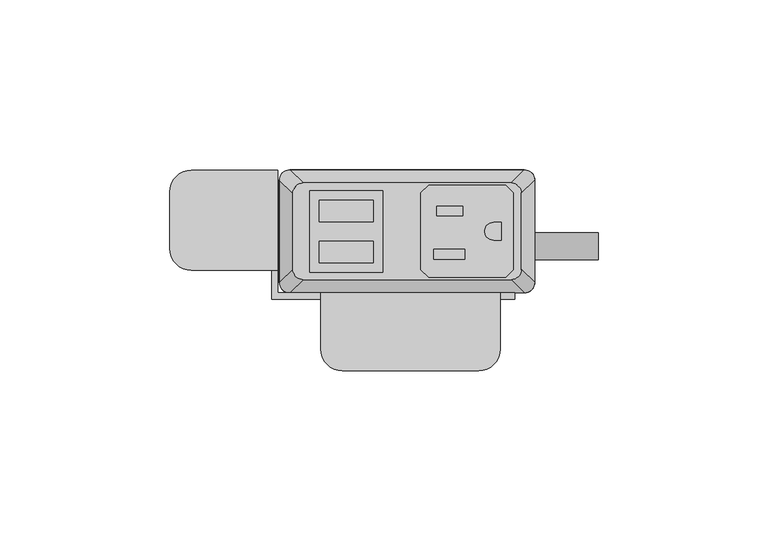
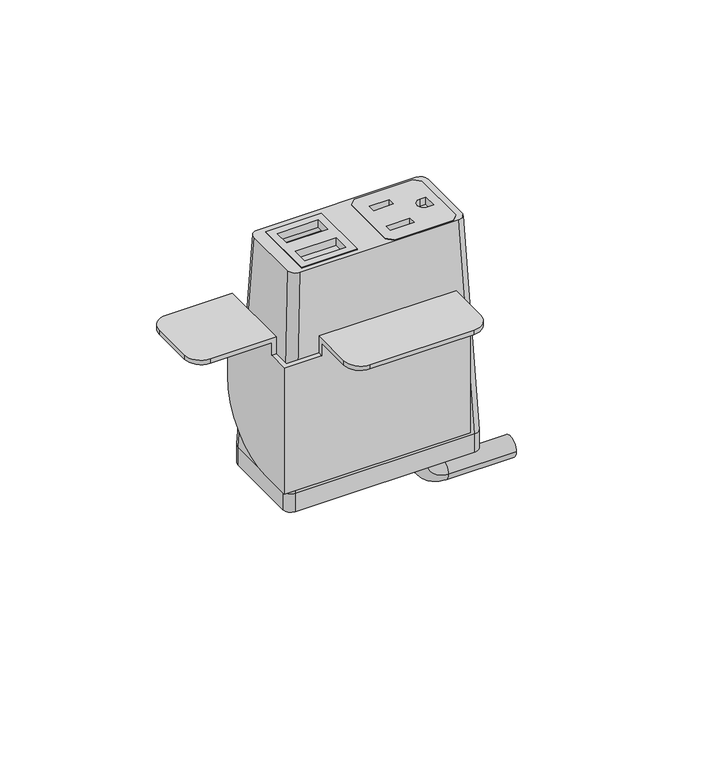
"""IFC4 building model written with IfcOpenShell, lengths in millimetres: furniture geometry."""

from ifc_helpers import new_model, si_unit, point, frame, frame_2d, origin, place, context, project, spatial, polyline, circle_curve, ellipse_curve, trimmed, segment, composite_curve, outline, extrude, source, transform, mapped, element, save
from ifc_brep_helpers import plane_surface, cylinder_surface, revolved_surface, extruded_surface, advanced_brep


def furniture_76658d6a(model_context):
    return source(origin(), model_context, "Body", "SolidModel", [
        extrude(outline(polyline([(28.9877496, 31.6867491), (31.2737497, 29.400774), (31.2737497, 6.7950272), (28.9877496, 4.5090526), (6.3817502, 4.5090526), (4.0957501, 6.7950272), (4.0957501, 29.400774), (6.3817502, 31.6867491), (28.9877496, 31.6867491)]), holes=[polyline([(16.3893498, 25.5262103), (8.71855, 25.5262103), (8.71855, 22.6814439), (16.3893498, 22.6814439), (16.3893498, 25.5262103)]), polyline([(17.0497496, 12.7755533), (7.8041498, 12.7755533), (7.8041498, 9.9307858), (17.0497496, 9.9307858), (17.0497496, 12.7755533)]), composite_curve([segment(polyline([(27.7177508, 20.7140722), (25.4427305, 20.7140722)]), True, "CONTINUOUS"), segment(trimmed(circle_curve(frame_2d((25.4427305, 18.0979012)), 2.616171), [point((25.4427305, 20.7140722))], [point((25.4427305, 15.4817301))], True, "CARTESIAN"), True, "CONTINUOUS"), segment(polyline([(25.4427305, 15.4817301), (27.7177508, 15.4817301), (27.7177508, 20.7140722)]), True, "CONTINUOUS")], self_intersect=False)]), frame((0.0, 0.0, 936.8747365), z_axis=(0.0, 0.0, 1.0), x_axis=(1.0, 0.0, 0.0)), (0.0, 0.0, 1.0), 2.9555086),
        extrude(outline(polyline([(-28.6985163, 30.0736276), (-7.143469, 30.0736276), (-7.143469, 6.0162042), (-28.6985163, 6.0162042), (-28.6985163, 30.0736276)]), holes=[polyline([(-9.9834931, 27.2024139), (-25.8584916, 27.2025547), (-25.8584916, 20.8524858), (-9.9834931, 20.8524858), (-9.9834931, 27.2024139)]), polyline([(-9.9834931, 15.1725012), (-25.8584916, 15.1726408), (-25.8584916, 8.8225725), (-9.9834931, 8.8225725), (-9.9834931, 15.1725012)])]), frame((0.0, 0.0, 936.8747365), z_axis=(0.0, 0.0, 1.0), x_axis=(1.0, 0.0, 0.0)), (0.0, 0.0, 1.0), 2.9555086),
        advanced_brep(
        [(-30.6070003, 32.3219007, 939.8170623), (-33.6549997, 29.2739013, 939.8170623), (-33.6549997, 6.9219002, 939.8170623), (-30.6070003, 3.8739008, 939.8170623), (30.6070003, 3.8739008, 939.8170623), (33.6549997, 6.9219002, 939.8170623), (33.6549997, 29.2739013, 939.8170623), (30.6070003, 32.3219007, 939.8170623), (-7.143469, 30.0736276, 939.8170623), (-7.143469, 6.0162042, 939.8170623), (-28.6985163, 6.0162042, 939.8170623), (-28.6985163, 30.0736276, 939.8170623), (4.0957501, 29.400774, 939.8170623), (6.3817502, 31.6867491, 939.8170623), (28.9877496, 31.6867491, 939.8170623), (31.2737497, 29.400774, 939.8170623), (31.2737497, 6.7950272, 939.8170623), (28.9877496, 4.5090526, 939.8170623), (6.3817502, 4.5090526, 939.8170623), (4.0957501, 6.7950272, 939.8170623), (-34.5440011, 36.1954015, 853.4702434), (34.5440011, 36.1954015, 853.4702434), (37.5920005, 33.1474021, 853.4702434), (37.5920005, 3.0484002, 853.4702434), (34.5440011, 0.0004009, 853.4702434), (-34.5440011, 0.0004009, 853.4702434), (-37.5920005, 3.0484002, 853.4702434), (-37.5920005, 33.1474021, 853.4702434), (-7.143469, 30.0736276, 932.6751211), (-28.6985163, 30.0736276, 932.6751211), (-28.6985163, 6.0162042, 932.6751211), (-7.143469, 6.0162042, 932.6751211), (4.0957501, 29.400774, 932.6751211), (4.0957501, 6.7950272, 932.6751211), (6.3817502, 4.5090526, 932.6751211), (28.9877496, 4.5090526, 932.6751211), (31.2737497, 6.7950272, 932.6751211), (31.2737497, 29.400774, 932.6751211), (28.9877496, 31.6867491, 932.6751211), (6.3817502, 31.6867491, 932.6751211)],
        [
            (0, 1, circle_curve(frame((-30.6070003, 29.2739013, 939.8170623), z_axis=(0.0, 0.0, 1.0), x_axis=(-1.0, 0.0, 0.0)), 3.0479994)),
            (1, 2),
            (2, 3, circle_curve(frame((-30.6070003, 6.9219002, 939.8170623), z_axis=(0.0, 0.0, 1.0), x_axis=(-1.0, 0.0, 0.0)), 3.0479994)),
            (3, 4),
            (4, 5, circle_curve(frame((30.6070003, 6.9219002, 939.8170623), z_axis=(0.0, 0.0, 1.0), x_axis=(-1.0, 0.0, 0.0)), 3.0479994)),
            (5, 6),
            (6, 7, circle_curve(frame((30.6070003, 29.2739013, 939.8170623), z_axis=(0.0, 0.0, 1.0), x_axis=(-1.0, 0.0, 0.0)), 3.0479994)),
            (7, 0),
            (8, 9),
            (9, 10),
            (10, 11),
            (11, 8),
            (12, 13),
            (13, 14),
            (14, 15),
            (15, 16),
            (16, 17),
            (17, 18),
            (18, 19),
            (19, 12),
            (20, 21),
            (21, 22, circle_curve(frame((34.5440011, 33.1474021, 853.4702434), z_axis=(0.0, 0.0, -1.0), x_axis=(-1.0, 0.0, 0.0)), 3.0479994)),
            (22, 23),
            (23, 24, circle_curve(frame((34.5440011, 3.0484002, 853.4702434), z_axis=(0.0, 0.0, -1.0), x_axis=(-1.0, 0.0, 0.0)), 3.0479994)),
            (24, 25),
            (25, 26, circle_curve(frame((-34.5440011, 3.0484002, 853.4702434), z_axis=(0.0, 0.0, -1.0), x_axis=(-1.0, 0.0, 0.0)), 3.0479994)),
            (26, 27),
            (27, 20, circle_curve(frame((-34.5440011, 33.1474021, 853.4702434), z_axis=(0.0, 0.0, -1.0), x_axis=(-1.0, 0.0, 0.0)), 3.0479994)),
            (0, 20),
            (27, 1),
            (26, 2),
            (25, 3),
            (24, 4),
            (23, 5),
            (22, 6),
            (21, 7),
            (28, 29),
            (29, 30),
            (30, 31),
            (31, 28),
            (32, 33),
            (33, 34),
            (34, 35),
            (35, 36),
            (36, 37),
            (37, 38),
            (38, 39),
            (39, 32),
            (31, 9),
            (8, 28),
            (30, 10),
            (29, 11),
            (39, 13),
            (12, 32),
            (38, 14),
            (37, 15),
            (36, 16),
            (35, 17),
            (34, 18),
            (33, 19),
        ],
        [
            plane_surface(frame((0.0, 18.0979007, 939.8170623), z_axis=(0.0, 0.0, 1.0), x_axis=(-1.0, 0.0, 0.0))),
            plane_surface(frame((0.0, 18.0979012, 853.4702434), z_axis=(0.0, 0.0, -1.0), x_axis=(-1.0, 0.0, 0.0))),
            extruded_surface(trimmed(circle_curve(frame((-34.5440011, 33.1474021, 853.4702434), z_axis=(0.0, 0.0, 1.0), x_axis=(-1.0, 0.0, 0.0)), 3.0479994), [point((-34.5440011, 36.1954015, 853.4702434))], [point((-37.5920005, 33.1474021, 853.4702434))], True, "CARTESIAN"), (3.9370008000000034, -3.873500800000002, 86.34681890000002), 86.52327500676452),
            plane_surface(frame((-37.5920005, 18.0979012, 853.4702434), z_axis=(-0.9989621566211194, 0.0, 0.04554788292425982), x_axis=(0.0, -1.0, 0.0))),
            extruded_surface(trimmed(circle_curve(frame((-34.5440011, 3.0484002, 853.4702434), z_axis=(0.0, 0.0, 1.0), x_axis=(-1.0, 0.0, 0.0)), 3.0479994), [point((-37.5920005, 3.0484002, 853.4702434))], [point((-34.5440011, 0.0004009, 853.4702434))], True, "CARTESIAN"), (3.9370008000000034, 3.8734999999999995, 86.34681890000002), 86.52327497094987),
            plane_surface(frame((0.0, 0.0004009, 853.4702434), z_axis=(0.0, -0.9989953158490498, 0.044814717578687276), x_axis=(1.0, 0.0, 0.0))),
            extruded_surface(trimmed(circle_curve(frame((34.5440011, 3.0484002, 853.4702434), z_axis=(0.0, 0.0, 1.0), x_axis=(-1.0, 0.0, 0.0)), 3.0479994), [point((34.5440011, 0.0004009, 853.4702434))], [point((37.5920005, 3.0484002, 853.4702434))], True, "CARTESIAN"), (-3.9370008000000034, 3.8734999999999995, 86.34681890000002), 86.52327497094987),
            plane_surface(frame((37.5920005, 18.0979012, 853.4702434), z_axis=(0.9989621566211194, 0.0, 0.04554788292425977), x_axis=(0.0, 1.0, 0.0))),
            extruded_surface(trimmed(circle_curve(frame((34.5440011, 33.1474021, 853.4702434), z_axis=(0.0, 0.0, 1.0), x_axis=(-1.0, 0.0, 0.0)), 3.0479994), [point((37.5920005, 33.1474021, 853.4702434))], [point((34.5440011, 36.1954015, 853.4702434))], True, "CARTESIAN"), (-3.9370008000000034, -3.873500800000002, 86.34681890000002), 86.52327500676452),
            plane_surface(frame((0.0, 36.1954015, 853.4702434), z_axis=(0.0, 0.9989953153818162, 0.04481472799410512), x_axis=(-1.0, 0.0, 0.0))),
            plane_surface(frame((-7.143469, 30.0736276, 932.6751211), z_axis=(0.0, 0.0, 1.0), x_axis=(0.0, -1.0, 0.0))),
            plane_surface(frame((-7.143469, 30.0736276, 932.6751211), z_axis=(-1.0, 0.0, 0.0), x_axis=(0.0, 0.0, 1.0))),
            plane_surface(frame((-7.143469, 6.0162042, 932.6751211), z_axis=(0.0, 1.0, 0.0), x_axis=(0.0, 0.0, 1.0))),
            plane_surface(frame((-28.6985163, 6.0162042, 932.6751211), z_axis=(1.0, 0.0, 0.0), x_axis=(0.0, 0.0, 1.0))),
            plane_surface(frame((-28.6985163, 30.0736276, 932.6751211), z_axis=(0.0, -1.0, 0.0), x_axis=(0.0, 0.0, 1.0))),
            plane_surface(frame((4.0957501, 29.400774, 932.6751211), z_axis=(0.7071029176939239, -0.707110644658062, 0.0), x_axis=(0.0, 0.0, 1.0))),
            plane_surface(frame((6.3817502, 31.6867491, 932.6751211), z_axis=(0.0, -1.0, 0.0), x_axis=(0.0, 0.0, 1.0))),
            plane_surface(frame((28.9877496, 31.6867491, 932.6751211), z_axis=(-0.7071029176939239, -0.707110644658062, 0.0), x_axis=(0.0, 0.0, 1.0))),
            plane_surface(frame((31.2737497, 29.400774, 932.6751211), z_axis=(-1.0, 0.0, 0.0), x_axis=(0.0, 0.0, 1.0))),
            plane_surface(frame((31.2737497, 6.7950272, 932.6751211), z_axis=(-0.7071028298865373, 0.7071107324644781, 0.0), x_axis=(0.0, 0.0, 1.0))),
            plane_surface(frame((28.9877496, 4.5090526, 932.6751211), z_axis=(0.0, 1.0, 0.0), x_axis=(0.0, 0.0, 1.0))),
            plane_surface(frame((6.3817502, 4.5090526, 932.6751211), z_axis=(0.7071028298865373, 0.7071107324644781, 0.0), x_axis=(0.0, 0.0, 1.0))),
            plane_surface(frame((4.0957501, 6.7950272, 932.6751211), z_axis=(1.0, 0.0, 0.0), x_axis=(0.0, 0.0, 1.0))),
        ],
        [
            (0, [[1, 2, 3, 4, 5, 6, 7, 8], [9, 10, 11, 12], [13, 14, 15, 16, 17, 18, 19, 20]]),
            (1, [[21, 22, 23, 24, 25, 26, 27, 28]]),
            (2, [[-1, 29, -28, 30]]),
            (3, [[-2, -30, -27, 31]]),
            (4, [[-3, -31, -26, 32]]),
            (5, [[-4, -32, -25, 33]]),
            (6, [[-5, -33, -24, 34]]),
            (7, [[-6, -34, -23, 35]]),
            (8, [[-7, -35, -22, 36]]),
            (9, [[-8, -36, -21, -29]]),
            (10, [[37, 38, 39, 40]]),
            (10, [[41, 42, 43, 44, 45, 46, 47, 48]]),
            (11, [[-40, 49, -9, 50]]),
            (12, [[-39, 51, -10, -49]]),
            (13, [[-38, 52, -11, -51]]),
            (14, [[-37, -50, -12, -52]]),
            (15, [[-48, 53, -13, 54]]),
            (16, [[-47, 55, -14, -53]]),
            (17, [[-46, 56, -15, -55]]),
            (18, [[-45, 57, -16, -56]]),
            (19, [[-44, 58, -17, -57]]),
            (20, [[-43, 59, -18, -58]]),
            (21, [[-42, 60, -19, -59]]),
            (22, [[-41, -54, -20, -60]]),
        ],
    ),
        advanced_brep(
        [(21.5715504, 17.7128311, 845.9960348), (21.5715504, 9.7137856, 845.9960348), (21.5715504, 17.7128311, 841.1662821), (21.5715504, 9.7137856, 841.1662821), (30.0384415, 9.7137856, 832.699391), (30.0384415, 17.7128311, 832.699391), (56.2588798, 17.7128311, 832.699391), (56.2588798, 9.7137856, 832.699391)],
        [
            (0, 1, circle_curve(frame((21.5715504, 13.7133083, 845.9960348), z_axis=(0.0, 0.0, 1.0), x_axis=(0.0, -1.0, 0.0)), 3.9995228)),
            (1, 0, circle_curve(frame((21.5715504, 13.7133083, 845.9960348), z_axis=(0.0, 0.0, 1.0), x_axis=(0.0, -1.0, 0.0)), 3.9995228)),
            (0, 2),
            (2, 3, circle_curve(frame((21.5715504, 13.7133083, 841.1662821), z_axis=(0.0, 0.0, 1.0), x_axis=(0.0, -1.0, 0.0)), 3.9995228)),
            (3, 1),
            (3, 2, circle_curve(frame((21.5715504, 13.7133083, 841.1662821), z_axis=(0.0, 0.0, 1.0), x_axis=(0.0, -1.0, 0.0)), 3.9995228)),
            (4, 3, circle_curve(frame((30.0384415, 9.7137856, 841.1662821), z_axis=(0.0, 1.0, 0.0), x_axis=(-1.0, 0.0, 0.0)), 8.4668911)),
            (2, 5, circle_curve(frame((30.0384415, 17.7128311, 841.1662821), z_axis=(0.0, -1.0, 0.0), x_axis=(-1.0, 0.0, 0.0)), 8.4668911)),
            (5, 4, circle_curve(frame((30.0384415, 13.7133083, 832.699391), z_axis=(-1.0, 0.0, 0.0), x_axis=(0.0, -1.0, 0.0)), 3.9995228)),
            (4, 5, circle_curve(frame((30.0384415, 13.7133083, 832.699391), z_axis=(-1.0, 0.0, 0.0), x_axis=(0.0, -1.0, 0.0)), 3.9995228)),
            (6, 7, circle_curve(frame((56.2588798, 13.7133083, 832.699391), z_axis=(1.0, 0.0, 0.0), x_axis=(0.0, -1.0, 0.0)), 3.9995228)),
            (7, 6, circle_curve(frame((56.2588798, 13.7133083, 832.699391), z_axis=(1.0, 0.0, 0.0), x_axis=(0.0, -1.0, 0.0)), 3.9995228)),
            (5, 6),
            (7, 4),
        ],
        [
            plane_surface(frame((21.5715504, 0.0, 845.9960348), z_axis=(0.0, 0.0, 1.0), x_axis=(0.0, -1.0, 0.0))),
            cylinder_surface(frame((21.5715504, 13.7133083, 845.9960348), z_axis=(0.0, 0.0, 1.0), x_axis=(0.0, -1.0, 0.0)), 3.9995228),
            revolved_surface(trimmed(ellipse_curve(frame((21.5715504, 13.7133083, 841.1662821), z_axis=(0.0, 0.0, 1.0), x_axis=(0.0, -1.0, 0.0)), 3.9995228, 3.9995228), [point((21.5715504, 17.7128311, 841.1662821))], [point((21.5715504, 9.7137856, 841.1662821))], True, "CARTESIAN"), (30.0384415, 0.0, 841.1662821), (0.0, -1.0, 0.0)),
            revolved_surface(trimmed(ellipse_curve(frame((21.5715504, 13.7133083, 841.1662821), z_axis=(0.0, 0.0, 1.0), x_axis=(0.0, -1.0, 0.0)), 3.9995228, 3.9995228), [point((21.5715504, 9.7137856, 841.1662821))], [point((21.5715504, 17.7128311, 841.1662821))], True, "CARTESIAN"), (30.0384415, 0.0, 841.1662821), (0.0, -1.0, 0.0)),
            plane_surface(frame((56.2588798, 0.0, 832.699391), z_axis=(1.0, 0.0, 0.0), x_axis=(0.0, -1.0, 0.0))),
            cylinder_surface(frame((30.0384415, 13.7133083, 832.699391), z_axis=(-1.0, 0.0, 0.0), x_axis=(0.0, -1.0, 0.0)), 3.9995228),
        ],
        [
            (0, [[1, 2]]),
            (1, [[-1, 3, 4, 5]]),
            (1, [[-2, -5, 6, -3]]),
            (2, [[7, -4, 8, 9]]),
            (3, [[-8, -6, -7, 10]]),
            (4, [[11, 12]]),
            (5, [[-9, 13, -12, 14]]),
            (5, [[-10, -14, -11, -13]]),
        ],
    ),
        extrude(outline(composite_curve([segment(trimmed(circle_curve(frame_2d((34.5440011, 33.1474021)), 3.0479994), [point((34.5440011, 36.1954015))], [point((37.5920005, 33.1474021))], False, "CARTESIAN"), True, "CONTINUOUS"), segment(polyline([(37.5920005, 33.1474021), (37.5920005, 3.0484002)]), True, "CONTINUOUS"), segment(trimmed(circle_curve(frame_2d((34.5440011, 3.0484002)), 3.0479994), [point((37.5920005, 3.0484002))], [point((34.5440011, 0.0004009))], False, "CARTESIAN"), True, "CONTINUOUS"), segment(polyline([(34.5440011, 0.0004009), (-34.5440011, 0.0004009)]), True, "CONTINUOUS"), segment(trimmed(circle_curve(frame_2d((-34.5440011, 3.0484002)), 3.0479994), [point((-34.5440011, 0.0004009))], [point((-37.5920005, 3.0484002))], False, "CARTESIAN"), True, "CONTINUOUS"), segment(polyline([(-37.5920005, 3.0484002), (-37.5920005, 33.1474021)]), True, "CONTINUOUS"), segment(trimmed(circle_curve(frame_2d((-34.5440011, 33.1474021)), 3.0479994), [point((-37.5920005, 33.1474021))], [point((-34.5440011, 36.1954015))], False, "CARTESIAN"), True, "CONTINUOUS"), segment(polyline([(-34.5440011, 36.1954015), (34.5440011, 36.1954015)]), True, "CONTINUOUS")], self_intersect=False)), frame((0.0, 0.0, 845.9960348), z_axis=(0.0, 0.0, 1.0), x_axis=(1.0, 0.0, 0.0)), (0.0, 0.0, 1.0), 7.4742086),
        advanced_brep(
        [(-63.4998651, 6.6265515, 912.622), (-69.8498653, 12.9765517, 912.622), (-69.8498653, 29.7151512, 912.622), (-63.4998645, 36.0651519, 912.622), (-39.877862, 36.0651519, 912.622), (-39.877862, 6.6265515, 912.622), (27.4321373, -16.6144474, 912.622), (21.0821366, -22.9644481, 912.622), (-19.0498626, -22.9644481, 912.622), (-25.3998622, -16.6144485, 912.622), (-25.3998622, -1.9078486, 912.622), (27.4321373, -1.9078486, 912.622), (-63.4998645, 36.0651519, 914.4), (-69.8498653, 29.7151512, 914.4), (-69.8498653, 12.9765517, 914.4), (-63.4998651, 6.6265515, 914.4), (-38.0998637, 6.6265515, 914.4), (-38.0998637, 36.0651519, 914.4), (-25.3998622, 0.0, 914.4), (-25.3998622, -16.6144485, 914.4), (-19.0498626, -22.9644481, 914.4), (21.0821366, -22.9644481, 914.4), (27.4321373, -16.6144474, 914.4), (27.4321373, 0.0, 914.4), (-38.0998637, 36.0651519, 881.3799997), (-39.877862, 36.0651519, 881.3799997), (-39.877862, 6.6265515, 907.5419997), (-38.0998637, 6.6265515, 907.5419997), (-38.0998637, 0.0, 907.5419997), (-38.0998637, 0.0, 855.9800012), (-38.0998637, 10.6651534, 855.9800012), (27.4321373, -1.9078486, 907.5419997), (27.4321373, 0.0, 907.5419997), (31.7501378, 0.0, 907.5419997), (31.7501378, 0.0, 855.9800012), (-25.3998622, 0.0, 907.5419997), (-25.3998622, -1.9078486, 907.5419997), (-39.877862, 10.6651534, 855.9800012), (-39.877862, -1.9078486, 855.9800012), (-39.877862, -1.9078486, 907.5419997), (31.7501378, -1.9078486, 855.9800012), (31.7501378, -1.9078486, 907.5419997)],
        [
            (0, 1, circle_curve(frame((-63.4998651, 12.9765517, 912.622), z_axis=(0.0, 0.0, -1.0), x_axis=(-1.0, 0.0, 0.0)), 6.3500002)),
            (1, 2),
            (2, 3, circle_curve(frame((-63.4998645, 29.7151512, 912.622), z_axis=(0.0, 0.0, -1.0), x_axis=(-1.0, 0.0, 0.0)), 6.3500008)),
            (3, 4),
            (4, 5),
            (5, 0),
            (6, 7, circle_curve(frame((21.0821366, -16.6144474, 912.622), z_axis=(0.0, 0.0, -1.0), x_axis=(-1.0, 0.0, 0.0)), 6.3500008)),
            (7, 8),
            (8, 9, circle_curve(frame((-19.0498626, -16.6144485, 912.622), z_axis=(0.0, 0.0, -1.0), x_axis=(-1.0, 0.0, 0.0)), 6.3499996)),
            (9, 10),
            (10, 11),
            (11, 6),
            (12, 13, circle_curve(frame((-63.4998645, 29.7151512, 914.4), z_axis=(0.0, 0.0, 1.0), x_axis=(-1.0, 0.0, 0.0)), 6.3500008)),
            (13, 14),
            (14, 15, circle_curve(frame((-63.4998651, 12.9765517, 914.4), z_axis=(0.0, 0.0, 1.0), x_axis=(-1.0, 0.0, 0.0)), 6.3500002)),
            (15, 16),
            (16, 17),
            (17, 12),
            (18, 19),
            (19, 20, circle_curve(frame((-19.0498626, -16.6144485, 914.4), z_axis=(0.0, 0.0, 1.0), x_axis=(-1.0, 0.0, 0.0)), 6.3499996)),
            (20, 21),
            (21, 22, circle_curve(frame((21.0821366, -16.6144474, 914.4), z_axis=(0.0, 0.0, 1.0), x_axis=(-1.0, 0.0, 0.0)), 6.3500008)),
            (22, 23),
            (23, 18),
            (3, 12),
            (17, 24),
            (24, 25),
            (25, 4),
            (2, 13),
            (1, 14),
            (0, 15),
            (5, 26),
            (26, 27),
            (27, 16),
            (27, 28),
            (28, 29),
            (29, 30),
            (30, 24, circle_curve(frame((-38.0998637, 10.6651534, 881.3799997), z_axis=(1.0, 0.0, 0.0), x_axis=(0.0, -1.0, 0.0)), 25.3999985)),
            (8, 20),
            (19, 9),
            (7, 21),
            (6, 22),
            (11, 31),
            (31, 32),
            (32, 23),
            (32, 33),
            (33, 34),
            (34, 29),
            (28, 35),
            (35, 18),
            (35, 36),
            (36, 10),
            (25, 37, circle_curve(frame((-39.877862, 10.6651534, 881.3799997), z_axis=(-1.0, 0.0, 0.0), x_axis=(0.0, -1.0, 0.0)), 25.3999985)),
            (37, 38),
            (38, 39),
            (39, 26),
            (30, 37),
            (34, 40),
            (40, 38),
            (40, 41),
            (41, 31),
            (36, 39),
            (41, 33),
        ],
        [
            plane_surface(frame((-63.4998645, 36.0651519, 912.622), z_axis=(0.0, 0.0, -1.0), x_axis=(1.0, 0.0, 0.0))),
            plane_surface(frame((-63.4998645, 36.0651519, 914.4), z_axis=(0.0, 0.0, 1.0), x_axis=(-1.0, 0.0, 0.0))),
            plane_surface(frame((-38.0998637, 36.0651519, 914.4), z_axis=(0.0, 1.0, 0.0), x_axis=(0.0, 0.0, -1.0))),
            cylinder_surface(frame((-63.4998645, 29.7151512, 912.622), z_axis=(0.0, 0.0, 1.0), x_axis=(-1.0, 0.0, 0.0)), 6.3500008),
            plane_surface(frame((-69.8498653, 29.7151512, 914.4), z_axis=(-1.0, 0.0, 0.0), x_axis=(0.0, 0.0, -1.0))),
            cylinder_surface(frame((-63.4998651, 12.9765517, 912.622), z_axis=(0.0, 0.0, 1.0), x_axis=(-1.0, 0.0, 0.0)), 6.3500002),
            plane_surface(frame((-63.4998651, 6.6265515, 914.4), z_axis=(0.0, -1.0, 0.0), x_axis=(0.0, 0.0, -1.0))),
            plane_surface(frame((-38.0998637, 6.6265515, 914.4), z_axis=(1.0, 0.0, 0.0), x_axis=(0.0, 0.0, -1.0))),
            cylinder_surface(frame((-19.0498626, -16.6144485, 914.4), z_axis=(0.0, 0.0, 1.0), x_axis=(-1.0, 0.0, 0.0)), 6.3499996),
            plane_surface(frame((-19.0498626, -22.9644481, 914.4), z_axis=(0.0, -1.0, 0.0), x_axis=(0.0, 0.0, -1.0))),
            cylinder_surface(frame((21.0821366, -16.6144474, 914.4), z_axis=(0.0, 0.0, 1.0), x_axis=(-1.0, 0.0, 0.0)), 6.3500008),
            plane_surface(frame((27.4321373, -16.6144474, 914.4), z_axis=(1.0, 0.0, 0.0), x_axis=(0.0, 0.0, -1.0))),
            plane_surface(frame((27.4321373, 0.0, 914.4), z_axis=(0.0, 1.0, 0.0), x_axis=(0.0, 0.0, -1.0))),
            plane_surface(frame((-25.3998622, 0.0, 914.4), z_axis=(-1.0, 0.0, 0.0), x_axis=(0.0, 0.0, -1.0))),
            plane_surface(frame((-39.877862, 36.0651519, 881.3799997), z_axis=(-1.0, 0.0, 0.0), x_axis=(0.0, 0.0, -1.0))),
            cylinder_surface(frame((-38.0998637, 10.6651534, 881.3799997), z_axis=(-1.0, 0.0, 0.0), x_axis=(0.0, -1.0, 0.0)), 25.3999985),
            plane_surface(frame((-39.877862, 10.6651534, 855.9800012), z_axis=(0.0, 0.0, -1.0), x_axis=(1.0, 0.0, 0.0))),
            plane_surface(frame((-39.877862, -1.9078486, 855.9800012), z_axis=(0.0, -1.0, 0.0), x_axis=(1.0, 0.0, 0.0))),
            plane_surface(frame((-39.877862, -1.9078486, 907.5419997), z_axis=(0.0, 0.0, 1.0), x_axis=(1.0, 0.0, 0.0))),
            plane_surface(frame((31.7501378, -1.9078486, 907.5419997), z_axis=(0.0, 0.0, 1.0), x_axis=(0.0, 1.0, 0.0))),
            plane_surface(frame((31.7501378, -1.9078486, 855.9800012), z_axis=(1.0, 0.0, 0.0), x_axis=(0.0, 1.0, 0.0))),
        ],
        [
            (0, [[1, 2, 3, 4, 5, 6]]),
            (0, [[7, 8, 9, 10, 11, 12]]),
            (1, [[13, 14, 15, 16, 17, 18]]),
            (1, [[19, 20, 21, 22, 23, 24]]),
            (2, [[25, -18, 26, 27, 28, -4]]),
            (3, [[-3, 29, -13, -25]]),
            (4, [[-2, 30, -14, -29]]),
            (5, [[-1, 31, -15, -30]]),
            (6, [[-31, -6, 32, 33, 34, -16]]),
            (7, [[-17, -34, 35, 36, 37, 38, -26]]),
            (8, [[-9, 39, -20, 40]]),
            (9, [[-8, 41, -21, -39]]),
            (10, [[-7, 42, -22, -41]]),
            (11, [[-42, -12, 43, 44, 45, -23]]),
            (12, [[-24, -45, 46, 47, 48, -36, 49, 50]]),
            (13, [[-40, -19, -50, 51, 52, -10]]),
            (14, [[53, 54, 55, 56, -32, -5, -28]]),
            (15, [[-53, -27, -38, 57]]),
            (16, [[-57, -37, -48, 58, 59, -54]]),
            (17, [[-55, -59, 60, 61, -43, -11, -52, 62]]),
            (18, [[-62, -51, -49, -35, -33, -56]]),
            (19, [[-61, 63, -46, -44]]),
            (20, [[-60, -58, -47, -63]]),
        ],
    ),
    ])


if __name__ == "__main__":
    model = new_model("IFC4")
    model_context = context("Model", 3, world=origin())
    ifc_project = project(units=[si_unit("LENGTHUNIT", "METRE", prefix="MILLI")], contexts=[model_context])
    site = spatial("IfcSite", under=ifc_project)
    building = spatial("IfcBuilding", under=site)
    placement = place(None, origin())
    furniture_shape = furniture_76658d6a(model_context)
    element("IfcFurniture", 1, at=placement, inside=building, context=model_context, shape_type="MappedRepresentation", body=[
        mapped(furniture_shape, transform((0.0, 0.0, 0.0), x_axis=(1.0, 0.0, 0.0), y_axis=(0.0, 1.0, 0.0), z_axis=(0.0, 0.0, 1.0))),
    ])
    save(model, "model.ifc")
